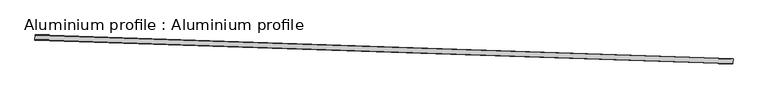
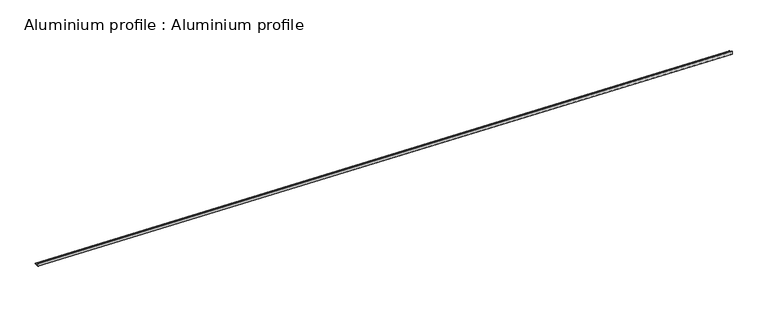
"""IFC4 building model written with IfcOpenShell, lengths in millimetres: proxy geometry, Aluminium profile : Aluminium profile."""

from ifc_helpers import new_model, si_unit, point, frame, frame_2d, origin, place, context, project, spatial, polyline, circle_curve, trimmed, segment, composite_curve, outline, extrude, source, transform, mapped, element, save


def aluminium_profile_aluminium_profile_23eca328(model_context):
    return source(origin(), model_context, "Body", "SweptSolid", [
        extrude(outline(composite_curve([segment(polyline([(0.0, 6.35), (-63.5, 6.35)]), True, "CONTINUOUS"), segment(trimmed(circle_curve(frame_2d((-63.5, 9.525)), 3.175), [point((-63.5, 6.35))], [point((-66.675, 9.525))], False, "CARTESIAN"), True, "CONTINUOUS"), segment(polyline([(-66.675, 9.525), (-66.675, 12.7), (9.525, 12.7), (9.525, -114.3000001), (6.35, -114.3000001)]), True, "CONTINUOUS"), segment(trimmed(circle_curve(frame_2d((6.35, -111.125)), 3.175), [point((6.35, -114.3000001))], [point((3.175, -111.125))], False, "CARTESIAN"), True, "CONTINUOUS"), segment(polyline([(3.175, -111.125), (3.175, 3.1749999)]), True, "CONTINUOUS"), segment(trimmed(circle_curve(frame_2d((0.0, 3.1749999)), 3.175), [point((3.175, 3.1749999))], [point((0.0, 6.35))], True, "CARTESIAN"), True, "CONTINUOUS")], self_intersect=False)), frame((34365.3467299, -15229.9896751, 5729.506567), z_axis=(-0.9994149479163434, 0.03420178184499333, 0.0), x_axis=(0.0, 0.0, -1.0)), (0.0, 0.0, 1.0), 17068.8),
    ])


if __name__ == "__main__":
    model = new_model("IFC4")
    model_context = context("Model", 3, world=origin())
    ifc_project = project(units=[si_unit("LENGTHUNIT", "METRE", prefix="MILLI")], contexts=[model_context])
    site = spatial("IfcSite", under=ifc_project)
    building = spatial("IfcBuilding", under=site)
    placement = place(None, origin())
    aluminium_profile_aluminium_profile_shape = aluminium_profile_aluminium_profile_23eca328(model_context)
    element("IfcBuildingElementProxy", 1, Name="Aluminium profile : Aluminium profile", ObjectType="Aluminium profile : Aluminium profile", at=placement, inside=building, context=model_context, shape_type="MappedRepresentation", body=[
        mapped(aluminium_profile_aluminium_profile_shape, transform((0.0, 0.0, 0.0), x_axis=(1.0, 0.0, 0.0), y_axis=(0.0, 1.0, 0.0), z_axis=(0.0, 0.0, 1.0))),
    ])
    save(model, "model.ifc")
